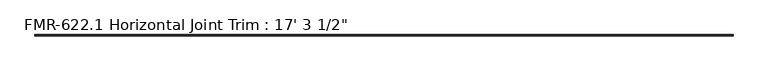
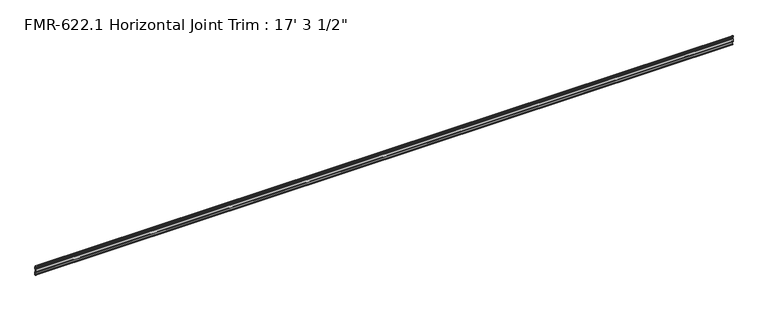
"""IFC4 building model written with IfcOpenShell, lengths in millimetres: proxy geometry."""

from ifc_helpers import new_model, si_unit, point, frame, frame_2d, origin, place, context, project, spatial, polyline, circle_curve, trimmed, segment, composite_curve, outline, extrude, source, transform, mapped, element, save


def proxy_1481f5c5(model_context):
    return source(origin(), model_context, "Body", "SweptSolid", [
        extrude(outline(composite_curve([segment(trimmed(circle_curve(frame_2d((-1353.0157858, 119.3876142)), 1.6162393), [point((-1354.2084623, 120.4783719))], [point((-1351.8870931, 120.5444557))], False, "CARTESIAN"), True, "CONTINUOUS"), segment(polyline([(-1351.8870931, 120.5444557), (-1350.0782939, 109.9810687), (-1347.8584623, 109.9810687)]), True, "CONTINUOUS"), segment(trimmed(circle_curve(frame_2d((-1347.8584623, 106.8060687)), 3.175), [point((-1347.8584623, 109.9810687))], [point((-1344.6834623, 106.8060687))], False, "CARTESIAN"), True, "CONTINUOUS"), segment(polyline([(-1344.6834623, 106.8060687), (-1344.6834623, 95.6934827)]), True, "CONTINUOUS"), segment(trimmed(circle_curve(frame_2d((-1346.2709623, 95.6934827)), 1.5875), [point((-1344.6834623, 95.6934827))], [point((-1346.2709623, 94.1059827))], False, "CARTESIAN"), True, "CONTINUOUS"), segment(polyline([(-1346.2709623, 94.1059827), (-1350.09784, 94.1059827)]), True, "CONTINUOUS"), segment(trimmed(circle_curve(frame_2d((-1350.09784, 92.5184827)), 1.5875), [point((-1350.09784, 94.1059827))], [point((-1351.68534, 92.5184827))], True, "CARTESIAN"), True, "CONTINUOUS"), segment(polyline([(-1351.68534, 92.5184827), (-1351.68534, 73.4684827)]), True, "CONTINUOUS"), segment(trimmed(circle_curve(frame_2d((-1350.09784, 73.4684827)), 1.5875), [point((-1351.68534, 73.4684827))], [point((-1350.09784, 71.8809827))], True, "CARTESIAN"), True, "CONTINUOUS"), segment(polyline([(-1350.09784, 71.8809827), (-1346.2709623, 71.8809827)]), True, "CONTINUOUS"), segment(trimmed(circle_curve(frame_2d((-1346.2709623, 70.2934827)), 1.5875), [point((-1346.2709623, 71.8809827))], [point((-1344.6834623, 70.2934827))], False, "CARTESIAN"), True, "CONTINUOUS"), segment(polyline([(-1344.6834623, 70.2934827), (-1344.6834623, 49.2119202)]), True, "CONTINUOUS"), segment(trimmed(circle_curve(frame_2d((-1346.2709623, 49.2119202)), 1.5875), [point((-1344.6834623, 49.2119202))], [point((-1345.9653609, 47.6541127))], False, "CARTESIAN"), True, "CONTINUOUS"), segment(polyline([(-1345.9653609, 47.6541127), (-1346.8740295, 47.6239835)]), True, "CONTINUOUS"), segment(trimmed(circle_curve(frame_2d((-1346.8476831, 46.8294002)), 0.79502), [point((-1346.8740295, 47.6239835))], [point((-1347.6427031, 46.8294002))], True, "CARTESIAN"), True, "CONTINUOUS"), segment(polyline([(-1347.6427031, 46.8294002), (-1347.6427031, 44.472332)]), True, "CONTINUOUS"), segment(trimmed(circle_curve(frame_2d((-1348.0271354, 44.3473912)), 0.4042256), [point((-1347.6427031, 44.472332))], [point((-1348.3275534, 44.0769335))], False, "CARTESIAN"), True, "CONTINUOUS"), segment(polyline([(-1348.3275534, 44.0769335), (-1350.1575722, 44.6481033)]), True, "CONTINUOUS"), segment(trimmed(circle_curve(frame_2d((-1349.2494601, 47.55768)), 3.048), [point((-1350.1575722, 44.6481033))], [point((-1351.8514109, 45.97018))], False, "CARTESIAN"), True, "CONTINUOUS"), segment(trimmed(circle_curve(frame_2d((-1349.2494601, 47.55768)), 3.048), [point((-1351.8514109, 45.97018))], [point((-1350.1575722, 50.4672566))], False, "CARTESIAN"), True, "CONTINUOUS"), segment(polyline([(-1350.1575722, 50.4672566), (-1348.2908774, 51.0498734)]), True, "CONTINUOUS"), segment(trimmed(circle_curve(frame_2d((-1348.0152005, 50.7595027)), 0.4003909), [point((-1348.2908774, 51.0498734))], [point((-1347.6427031, 50.6126743))], False, "CARTESIAN"), True, "CONTINUOUS"), segment(polyline([(-1347.6427031, 50.6126743), (-1347.5591209, 49.8174428)]), True, "CONTINUOUS"), segment(trimmed(circle_curve(frame_2d((-1346.8807031, 50.1644202)), 0.762), [point((-1347.5591209, 49.8174428))], [point((-1346.8600243, 49.4027008))], True, "CARTESIAN"), True, "CONTINUOUS"), segment(trimmed(circle_curve(frame_2d((-1346.8431409, 49.9104202)), 0.5080001), [point((-1346.8600243, 49.4027008))], [point((-1346.3351408, 49.9104202))], True, "CARTESIAN"), True, "CONTINUOUS"), segment(polyline([(-1346.3351408, 49.9104202), (-1346.3351409, 63.5949308), (-1345.8259771, 64.2236958), (-1345.8259771, 66.1411657), (-1346.3351409, 66.7699308), (-1346.3351409, 69.4984627)]), True, "CONTINUOUS"), segment(trimmed(circle_curve(frame_2d((-1347.1301609, 69.4984627)), 0.79502), [point((-1346.3351409, 69.4984627))], [point((-1347.1301609, 70.2934827))], True, "CARTESIAN"), True, "CONTINUOUS"), segment(polyline([(-1347.1301609, 70.2934827), (-1353.27284, 70.2934827), (-1353.27284, 95.6934827), (-1347.0659823, 95.6934827)]), True, "CONTINUOUS"), segment(trimmed(circle_curve(frame_2d((-1347.0659823, 96.4885027)), 0.79502), [point((-1347.0659823, 95.6934827))], [point((-1346.2709623, 96.4885027))], True, "CARTESIAN"), True, "CONTINUOUS"), segment(polyline([(-1346.2709623, 96.4885027), (-1346.2709623, 100.34378), (-1345.7617984, 100.99548), (-1345.7617984, 102.9119821), (-1346.2709623, 103.51878), (-1346.2709623, 106.8060687)]), True, "CONTINUOUS"), segment(trimmed(circle_curve(frame_2d((-1347.8584623, 106.8060687)), 1.5875), [point((-1346.2709623, 106.8060687))], [point((-1347.8584623, 108.3935687))], True, "CARTESIAN"), True, "CONTINUOUS"), segment(polyline([(-1347.8584623, 108.3935687), (-1351.0334623, 108.3935687)]), True, "CONTINUOUS"), segment(trimmed(circle_curve(frame_2d((-1351.0334623, 111.5685687)), 3.175), [point((-1351.0334623, 108.3935687))], [point((-1354.2084623, 111.5685687))], False, "CARTESIAN"), True, "CONTINUOUS"), segment(polyline([(-1354.2084623, 111.5685687), (-1354.2084623, 120.4783719)]), True, "CONTINUOUS")], self_intersect=False)), frame((-3608.1664986, 0.0, 0.0), z_axis=(1.0, 0.0, 0.0), x_axis=(0.0, 1.0, 0.0)), (0.0, 0.0, 1.0), 5270.5),
    ])


if __name__ == "__main__":
    model = new_model("IFC4")
    model_context = context("Model", 3, world=origin())
    ifc_project = project(units=[si_unit("LENGTHUNIT", "METRE", prefix="MILLI")], contexts=[model_context])
    site = spatial("IfcSite", under=ifc_project)
    building = spatial("IfcBuilding", under=site)
    placement = place(None, origin())
    proxy_shape = proxy_1481f5c5(model_context)
    element("IfcBuildingElementProxy", 1, Name="FMR-622.1 Horizontal Joint Trim : 17' 3 1/2\"", ObjectType="FMR-622.1 Horizontal Joint Trim : 17' 3 1/2\"", at=placement, inside=building, context=model_context, shape_type="MappedRepresentation", body=[
        mapped(proxy_shape, transform((0.0, 0.0, 0.0), x_axis=(1.0, 0.0, 0.0), y_axis=(0.0, 1.0, 0.0), z_axis=(0.0, 0.0, 1.0))),
    ])
    save(model, "model.ifc")
